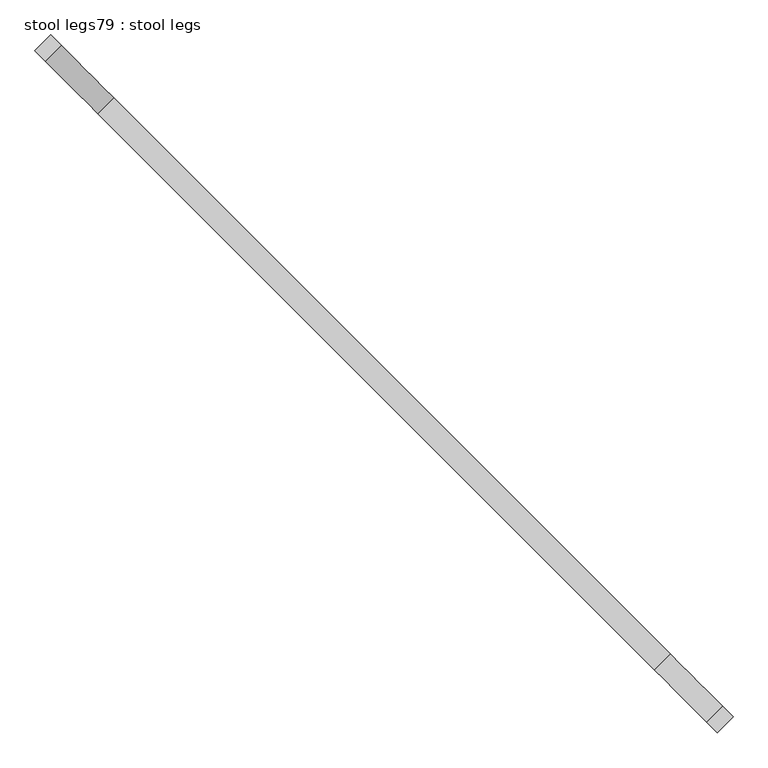
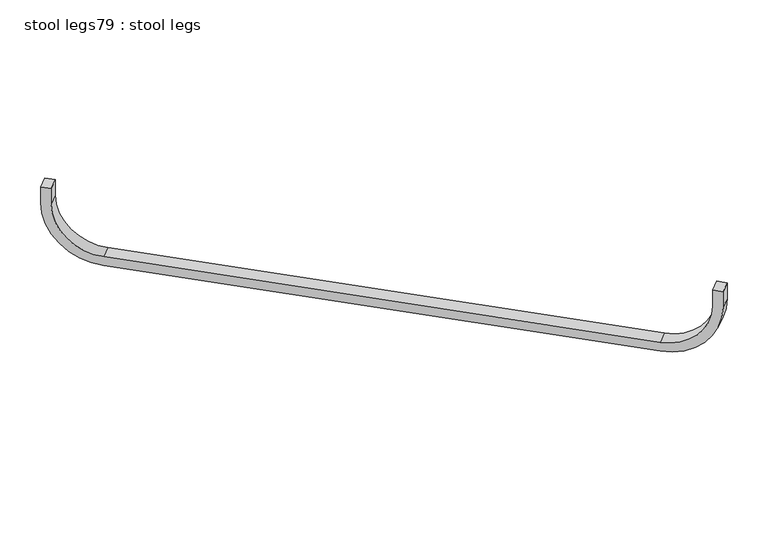
"""IFC4 building model written with IfcOpenShell, lengths in millimetres: furniture geometry, stool legs79 : stool legs."""

from ifc_helpers import new_model, si_unit, point, frame, frame_2d, origin, place, context, project, spatial, polyline, circle_curve, trimmed, segment, composite_curve, outline, extrude, source, transform, mapped, element, save


def stool_legs79_stool_legs_d48ebf70(model_context):
    return source(origin(), model_context, "Body", "SweptSolid", [
        extrude(outline(composite_curve([segment(polyline([(0.0, 254.0), (-44.45, 254.0), (-44.45, 279.4), (0.0, 279.4)]), True, "CONTINUOUS"), segment(trimmed(circle_curve(frame_2d((0.0, 127.0)), 152.4), [point((0.0, 279.4))], [point((152.4, 127.0))], False, "CARTESIAN"), True, "CONTINUOUS"), segment(polyline([(152.4, 127.0), (152.4, -1219.2)]), True, "CONTINUOUS"), segment(trimmed(circle_curve(frame_2d((0.0, -1219.2)), 152.4), [point((152.4, -1219.2))], [point((0.0, -1371.6))], False, "CARTESIAN"), True, "CONTINUOUS"), segment(polyline([(0.0, -1371.6), (-44.45, -1371.6), (-44.45, -1346.2), (0.0, -1346.2)]), True, "CONTINUOUS"), segment(trimmed(circle_curve(frame_2d((0.0, -1219.2)), 127.0), [point((0.0, -1346.2))], [point((127.0, -1219.2))], True, "CARTESIAN"), True, "CONTINUOUS"), segment(polyline([(127.0, -1219.2), (127.0, 127.0)]), True, "CONTINUOUS"), segment(trimmed(circle_curve(frame_2d((0.0, 127.0)), 127.0), [point((127.0, 127.0))], [point((0.0, 254.0))], True, "CARTESIAN"), True, "CONTINUOUS")], self_intersect=False)), frame((-121370.5243215, -65352.7843189, 412.75), z_axis=(0.7071067811865757, 0.7071067811865194, 0.0), x_axis=(0.0, 0.0, -1.0)), (0.0, 0.0, 1.0), 38.1),
    ])


if __name__ == "__main__":
    model = new_model("IFC4")
    model_context = context("Model", 3, world=origin())
    ifc_project = project(units=[si_unit("LENGTHUNIT", "METRE", prefix="MILLI")], contexts=[model_context])
    site = spatial("IfcSite", under=ifc_project)
    building = spatial("IfcBuilding", under=site)
    placement = place(None, origin())
    stool_legs79_stool_legs_shape = stool_legs79_stool_legs_d48ebf70(model_context)
    element("IfcFurniture", 1, ObjectType="stool legs79 : stool legs", at=placement, inside=building, context=model_context, shape_type="MappedRepresentation", body=[
        mapped(stool_legs79_stool_legs_shape, transform((0.0, 0.0, 0.0), x_axis=(1.0, 0.0, 0.0), y_axis=(0.0, 1.0, 0.0), z_axis=(0.0, 0.0, 1.0))),
    ])
    save(model, "model.ifc")
